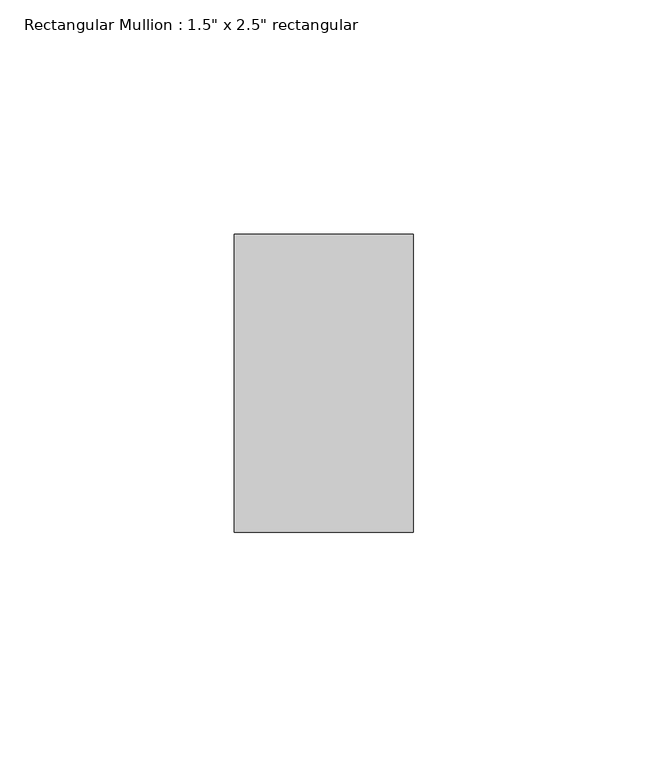
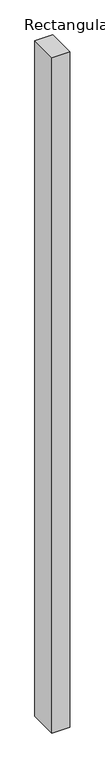
"""IFC4 building model written with IfcOpenShell, lengths in millimetres: member geometry."""

from ifc_helpers import new_model, si_unit, frame, origin, place, context, project, spatial, polyline, outline, extrude, source, transform, mapped, element, save


def member_630d0c74(model_context):
    return source(origin(), model_context, "Body", "SweptSolid", [
        extrude(outline(polyline([(19.05, -19.05), (19.05, -82.55), (-19.05, -82.55), (-19.05, -19.05), (19.05, -19.05)])), frame((0.0, 0.0, -1536.7), z_axis=(0.0, 0.0, 1.0), x_axis=(1.0, 0.0, 0.0)), (0.0, 0.0, 1.0), 1536.7),
    ])


if __name__ == "__main__":
    model = new_model("IFC4")
    model_context = context("Model", 3, world=origin())
    ifc_project = project(units=[si_unit("LENGTHUNIT", "METRE", prefix="MILLI")], contexts=[model_context])
    site = spatial("IfcSite", under=ifc_project)
    building = spatial("IfcBuilding", under=site)
    placement = place(None, origin())
    member_shape = member_630d0c74(model_context)
    element("IfcMember", 1, ObjectType="Rectangular Mullion : 1.5\" x 2.5\" rectangular", at=placement, inside=building, context=model_context, shape_type="MappedRepresentation", body=[
        mapped(member_shape, transform((0.0, 0.0, 0.0), x_axis=(1.0, 0.0, 0.0), y_axis=(0.0, 1.0, 0.0), z_axis=(0.0, 0.0, 1.0))),
    ])
    save(model, "model.ifc")
